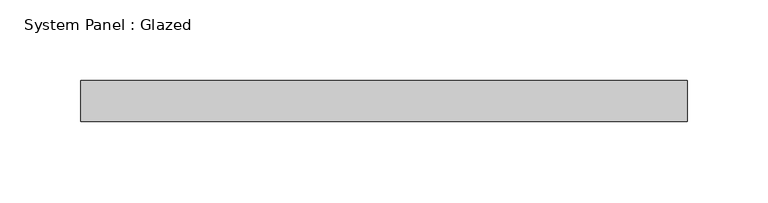
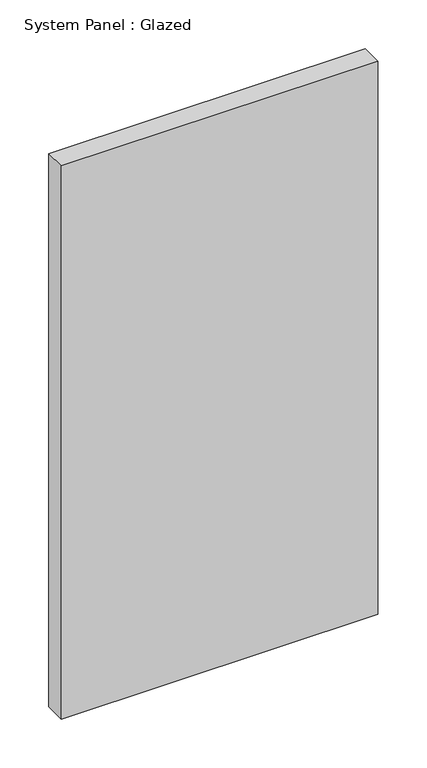
"""IFC4 building model written with IfcOpenShell, lengths in millimetres: plate geometry, System Panel : Glazed."""

from ifc_helpers import new_model, si_unit, origin, origin_with_axes, place, context, project, spatial, polyline, outline, extrude, source, transform, mapped, element, save


def system_panel_glazed_8e33c58f(model_context):
    return source(origin(), model_context, "Body", "SweptSolid", [
        extrude(outline(polyline([(187.325, -12.7), (-187.325, -12.7), (-187.325, 12.7), (187.325, 12.7), (187.325, -12.7)])), origin_with_axes(), (0.0, 0.0, 1.0), 692.15),
    ])


if __name__ == "__main__":
    model = new_model("IFC4")
    model_context = context("Model", 3, world=origin())
    ifc_project = project(units=[si_unit("LENGTHUNIT", "METRE", prefix="MILLI")], contexts=[model_context])
    site = spatial("IfcSite", under=ifc_project)
    building = spatial("IfcBuilding", under=site)
    placement = place(None, origin())
    system_panel_glazed_shape = system_panel_glazed_8e33c58f(model_context)
    element("IfcPlate", 1, ObjectType="System Panel : Glazed", at=placement, inside=building, context=model_context, shape_type="MappedRepresentation", body=[
        mapped(system_panel_glazed_shape, transform((0.0, 0.0, 0.0), x_axis=(1.0, 0.0, 0.0), y_axis=(0.0, 1.0, 0.0), z_axis=(0.0, 0.0, 1.0))),
    ])
    save(model, "model.ifc")
